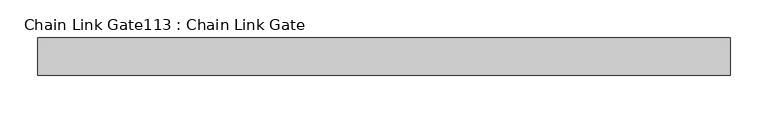
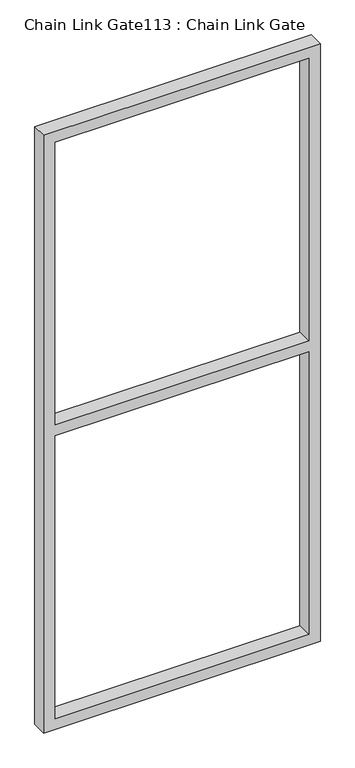
"""IFC4 building model written with IfcOpenShell, lengths in millimetres: proxy geometry, Chain Link Gate113 : Chain Link Gate."""

from ifc_helpers import new_model, si_unit, frame, origin, place, context, project, spatial, polyline, outline, extrude, source, transform, mapped, element, save


def chain_link_gate113_chain_link_gate_57df82c3(model_context):
    return source(origin(), model_context, "Body", "SweptSolid", [
        extrude(outline(polyline([(2120.9, 32296.0901795), (12.7, 32296.0901795), (12.7, 33220.0151795), (2120.9, 33220.0151795), (2120.9, 32296.0901795)]), holes=[polyline([(2082.8, 32334.1901795), (2082.8, 33181.9151795), (1085.85, 33181.9151795), (1085.85, 32334.1901795), (2082.8, 32334.1901795)]), polyline([(1047.75, 33181.9151795), (50.8, 33181.9151795), (50.8, 32334.1901795), (1047.75, 32334.1901795), (1047.75, 33181.9151795)])]), frame((0.0, 13512.5112077, 0.0), z_axis=(0.0, 1.0, 0.0), x_axis=(0.0, 0.0, 1.0)), (0.0, 0.0, 1.0), 50.1314753),
    ])


if __name__ == "__main__":
    model = new_model("IFC4")
    model_context = context("Model", 3, world=origin())
    ifc_project = project(units=[si_unit("LENGTHUNIT", "METRE", prefix="MILLI")], contexts=[model_context])
    site = spatial("IfcSite", under=ifc_project)
    building = spatial("IfcBuilding", under=site)
    placement = place(None, origin())
    chain_link_gate113_chain_link_gate_shape = chain_link_gate113_chain_link_gate_57df82c3(model_context)
    element("IfcBuildingElementProxy", 1, Name="Chain Link Gate113 : Chain Link Gate", ObjectType="Chain Link Gate113 : Chain Link Gate", at=placement, inside=building, context=model_context, shape_type="MappedRepresentation", body=[
        mapped(chain_link_gate113_chain_link_gate_shape, transform((0.0, 0.0, 0.0), x_axis=(1.0, 0.0, 0.0), y_axis=(0.0, 1.0, 0.0), z_axis=(0.0, 0.0, 1.0))),
    ])
    save(model, "model.ifc")
